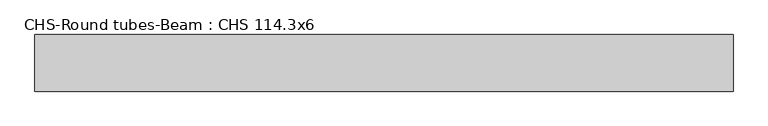
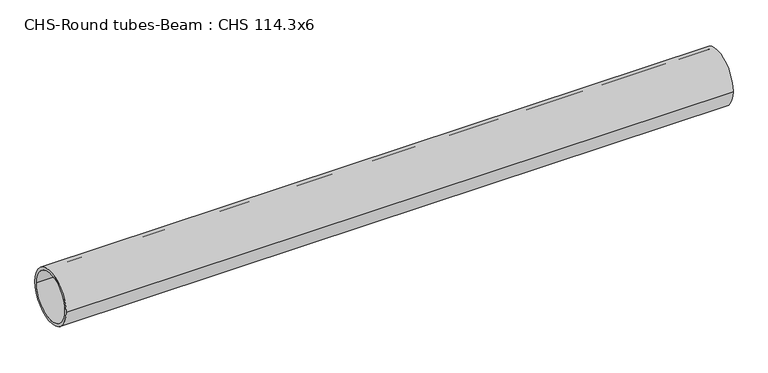
"""IFC4 building model written with IfcOpenShell, lengths in millimetres: beam geometry, CHS-Round tubes-Beam : CHS 114.3x6."""

import ifcopenshell
import ifcopenshell.guid

model = None  # the IFC model being written
_history = None  # IfcOwnerHistory: only IFC2X3 demands one
_inside = {}  # id of a spatial element -> (the spatial element, [elements in it])
_under = {}  # id of a project, library or spatial element -> (it, [spatial elements below it])
_declared = {}  # id of a project -> (the project, [libraries it declares])
_typed = {}  # id of a type object -> (the type object, [elements of that type])
_made_of = {}  # id of a material, layer set ... -> (it, [elements and type objects made of it])


def new_model(schema):
    """Start an empty IFC model of exactly this schema.

    Asked for "IFC4X3", IfcOpenShell would pick the latest addendum, in which some entities
    have other attributes; the version numbers below select the first issue.
    IFC2X3 requires an IfcOwnerHistory on every rooted entity: one is made here for all.
    """
    global model, _history
    if schema == "IFC4X3":
        model = ifcopenshell.file(schema_version=(4, 3, 0, 0))
    else:
        model = ifcopenshell.file(schema=schema)
    _inside.clear()
    _under.clear()
    _declared.clear()
    _typed.clear()
    _made_of.clear()
    _history = None
    if model.schema == "IFC2X3":
        org = make("IfcOrganization", Name="unknown")
        user = make(
            "IfcPersonAndOrganization",
            ThePerson=make("IfcPerson", FamilyName="unknown"),
            TheOrganization=org,
        )
        app = make(
            "IfcApplication",
            ApplicationDeveloper=org,
            Version="unknown",
            ApplicationFullName="unknown",
            ApplicationIdentifier="unknown",
        )
        _history = make(
            "IfcOwnerHistory",
            OwningUser=user,
            OwningApplication=app,
            ChangeAction="ADDED",
            CreationDate=0,
        )
    return model


def make(cls, **values):
    """One entity of the class cls with the attributes given. An attribute that is None is left unset."""
    return model.create_entity(
        cls, **{name: value for name, value in values.items() if value is not None}
    )


def rooted(cls, **values):
    """An entity with a GlobalId (a new one), such as an element, a storey or a relation."""
    return make(cls, GlobalId=ifcopenshell.guid.new(), OwnerHistory=_history, **values)


def si_unit(unit_type, name, prefix=None):
    """IfcSIUnit, for example si_unit("LENGTHUNIT", "METRE", prefix="MILLI")."""
    return make("IfcSIUnit", UnitType=unit_type, Prefix=prefix, Name=name)


def assignment(units):
    """IfcUnitAssignment: the units of a project."""
    return None if units is None else make("IfcUnitAssignment", Units=units)


def point(xyz):
    """IfcCartesianPoint."""
    return None if xyz is None else make("IfcCartesianPoint", Coordinates=xyz)


def direction(xyz):
    """IfcDirection."""
    return None if xyz is None else make("IfcDirection", DirectionRatios=xyz)


def frame(location, z_axis=None, x_axis=None):
    """IfcAxis2Placement3D, a coordinate frame: its origin and axes. An axis left out is left unset."""
    return make(
        "IfcAxis2Placement3D",
        Location=point(location),
        Axis=direction(z_axis),
        RefDirection=direction(x_axis),
    )


def frame_2d(location, x_axis=None):
    """IfcAxis2Placement2D, a coordinate frame in the plane: its origin and x axis."""
    return make(
        "IfcAxis2Placement2D", Location=point(location), RefDirection=direction(x_axis)
    )


def origin():
    """The frame at (0, 0, 0) with its axes left unset."""
    return frame((0.0, 0.0, 0.0))


def origin_2d():
    """The frame at (0, 0) in the plane with its x axis left unset."""
    return frame_2d((0.0, 0.0))


def place(relative_to, where):
    """IfcLocalPlacement: puts the frame where relative to a parent placement (None: the world)."""
    return make(
        "IfcLocalPlacement", PlacementRelTo=relative_to, RelativePlacement=where
    )


def context(
    kind, dimensions, precision=None, world=None, true_north=None, identifier=None
):
    """IfcGeometricRepresentationContext, for example the 3D "Model" context."""
    return make(
        "IfcGeometricRepresentationContext",
        ContextIdentifier=identifier,
        ContextType=kind,
        CoordinateSpaceDimension=dimensions,
        Precision=precision,
        WorldCoordinateSystem=world,
        TrueNorth=true_north,
    )


def project(units=None, contexts=None):
    """IfcProject with its units and contexts."""
    return rooted(
        "IfcProject",
        Name="project",
        RepresentationContexts=contexts,
        UnitsInContext=assignment(units),
    )


def spatial(cls, under=None, at=None, **own):
    """A site, building, storey or space (cls), placed at a placement, below another one or the project."""
    s = rooted(cls, ObjectPlacement=at, **own)
    if under is not None:
        _under.setdefault(under.id(), (under, []))[1].append(s)
    return s


def circle_curve(where, radius):
    """IfcCircle in the frame where."""
    return make("IfcCircle", Position=where, Radius=radius)


def trimmed(basis, trim1, trim2, sense, master):
    """IfcTrimmedCurve: the piece of a basis curve between two trims."""
    return make(
        "IfcTrimmedCurve",
        BasisCurve=basis,
        Trim1=trim1,
        Trim2=trim2,
        SenseAgreement=sense,
        MasterRepresentation=master,
    )


def segment(curve, same_sense, transition):
    """IfcCompositeCurveSegment."""
    return make(
        "IfcCompositeCurveSegment",
        Transition=transition,
        SameSense=same_sense,
        ParentCurve=curve,
    )


def composite_curve(segments, self_intersect=None):
    """IfcCompositeCurve: segments joined end to end."""
    return make("IfcCompositeCurve", Segments=segments, SelfIntersect=self_intersect)


def outline(outer, holes=None, kind="AREA"):
    """IfcArbitraryClosedProfileDef: a profile drawn as a closed curve; with holes, ...WithVoids."""
    if holes is None:
        return make("IfcArbitraryClosedProfileDef", ProfileType=kind, OuterCurve=outer)
    return make(
        "IfcArbitraryProfileDefWithVoids",
        ProfileType=kind,
        OuterCurve=outer,
        InnerCurves=holes,
    )


def extrude(swept, where, along, depth):
    """IfcExtrudedAreaSolid: the profile swept, set in the frame where, extruded along a direction by depth."""
    return make(
        "IfcExtrudedAreaSolid",
        SweptArea=swept,
        Position=where,
        ExtrudedDirection=direction(along),
        Depth=depth,
    )


def shape(context_of_items, identifier, shape_type, items):
    """IfcShapeRepresentation: the items that make up one representation, for example the "Body"."""
    return make(
        "IfcShapeRepresentation",
        ContextOfItems=context_of_items,
        RepresentationIdentifier=identifier,
        RepresentationType=shape_type,
        Items=items,
    )


def source(mapping_origin, context_of_items, identifier, shape_type, items):
    """IfcRepresentationMap: a shape defined once, which mapped items show again and again."""
    return make(
        "IfcRepresentationMap",
        MappingOrigin=mapping_origin,
        MappedRepresentation=shape(context_of_items, identifier, shape_type, items),
    )


def transform(
    local_origin,
    x_axis=None,
    y_axis=None,
    z_axis=None,
    scale=None,
    scale2=None,
    scale3=None,
    uniform=True,
):
    """IfcCartesianTransformationOperator3D, or its non-uniform kind. x_axis, y_axis, z_axis: its Axis1, 2, 3."""
    if uniform:
        return make(
            "IfcCartesianTransformationOperator3D",
            Axis1=direction(x_axis),
            Axis2=direction(y_axis),
            LocalOrigin=point(local_origin),
            Scale=scale,
            Axis3=direction(z_axis),
        )
    return make(
        "IfcCartesianTransformationOperator3DnonUniform",
        Axis1=direction(x_axis),
        Axis2=direction(y_axis),
        LocalOrigin=point(local_origin),
        Scale=scale,
        Axis3=direction(z_axis),
        Scale2=scale2,
        Scale3=scale3,
    )


def mapped(mapping_source, mapping_target):
    """IfcMappedItem: shows the shape of a source again, moved by a transform."""
    return make(
        "IfcMappedItem", MappingSource=mapping_source, MappingTarget=mapping_target
    )


def made_of(thing, what):
    """Note that an element or type object is made of a material, layer set ...; save() writes the relation."""
    if what is not None:
        _made_of.setdefault(what.id(), (what, []))[1].append(thing)
    return thing


def element(
    cls,
    number,
    at=None,
    inside=None,
    cuts=None,
    type_object=None,
    material=None,
    context=None,
    identifier="Body",
    shape_type=None,
    held_by="IfcProductDefinitionShape",
    body=None,
    shapes=None,
    **own,
):
    """One element of the class cls, such as IfcWall. Its Tag is "e" and its number.

    at: its placement. inside: the storey or other place that contains it. cuts: it is an
    opening in that element (IfcRelVoidsElement). A single representation is given by context,
    identifier, shape_type and body (its items); several are given by shapes. held_by: the class
    of the entity that holds the representations. save() writes the other relations.
    """
    e = rooted(cls, Tag="e%d" % number, ObjectPlacement=at, **own)
    if body is not None:
        shapes = [shape(context, identifier, shape_type, body)]
    if shapes is not None:
        e.Representation = make(held_by, Representations=shapes)
    if inside is not None:
        _inside.setdefault(inside.id(), (inside, []))[1].append(e)
    if cuts is not None:
        rooted(
            "IfcRelVoidsElement", RelatingBuildingElement=cuts, RelatedOpeningElement=e
        )
    if type_object is not None:
        _typed.setdefault(type_object.id(), (type_object, []))[1].append(e)
    return made_of(e, material)


def aggregate(whole, parts):
    """IfcRelAggregates: a whole, such as a stair, and the parts it consists of."""
    return rooted("IfcRelAggregates", RelatingObject=whole, RelatedObjects=parts)


def save(model, path):
    """Write the relations noted so far, then the file.

    IfcRelAggregates (storeys below a building ...), IfcRelContainedInSpatialStructure (elements
    in a storey), IfcRelDefinesByType, IfcRelAssociatesMaterial and IfcRelDeclares: one each for
    every whole, place, type object, material and project.
    """
    for whole, parts in _under.values():
        aggregate(whole, parts)
    for where, things in _inside.values():
        rooted(
            "IfcRelContainedInSpatialStructure",
            RelatedElements=things,
            RelatingStructure=where,
        )
    for kind, things in _typed.values():
        rooted("IfcRelDefinesByType", RelatedObjects=things, RelatingType=kind)
    for what, things in _made_of.values():
        rooted("IfcRelAssociatesMaterial", RelatedObjects=things, RelatingMaterial=what)
    for by, libraries in _declared.values():
        rooted("IfcRelDeclares", RelatingContext=by, RelatedDefinitions=libraries)
    model.write(path)


def chs_round_tubes_beam_chs_114_3x6_dfe26a0b(model_context):
    return source(origin(), model_context, "Body", "SweptSolid", [
        extrude(outline(composite_curve([segment(trimmed(circle_curve(origin_2d(), 57.15), [point((57.15, 0.0))], [point((-57.15, 0.0))], False, "CARTESIAN"), True, "CONTINUOUS"), segment(trimmed(circle_curve(origin_2d(), 57.15), [point((-57.15, 0.0))], [point((57.15, 0.0))], False, "CARTESIAN"), True, "CONTINUOUS")], self_intersect=False), holes=[composite_curve([segment(trimmed(circle_curve(origin_2d(), 51.15), [point((51.15, 0.0))], [point((-51.15, 0.0))], True, "CARTESIAN"), True, "CONTINUOUS"), segment(trimmed(circle_curve(origin_2d(), 51.15), [point((-51.15, 0.0))], [point((51.15, 0.0))], True, "CARTESIAN"), True, "CONTINUOUS")], self_intersect=False)]), frame((-773.7385853, 0.0, 0.0), z_axis=(1.0, 0.0, 0.0), x_axis=(0.0, 1.0, 0.0)), (0.0, 0.0, 1.0), 1409.3453463),
    ])


if __name__ == "__main__":
    model = new_model("IFC4")
    model_context = context("Model", 3, world=origin())
    ifc_project = project(units=[si_unit("LENGTHUNIT", "METRE", prefix="MILLI")], contexts=[model_context])
    site = spatial("IfcSite", under=ifc_project)
    building = spatial("IfcBuilding", under=site)
    placement = place(None, origin())
    chs_round_tubes_beam_chs_114_3x6_shape = chs_round_tubes_beam_chs_114_3x6_dfe26a0b(model_context)
    element("IfcBeam", 1, ObjectType="CHS-Round tubes-Beam : CHS 114.3x6", at=placement, inside=building, context=model_context, shape_type="MappedRepresentation", body=[
        mapped(chs_round_tubes_beam_chs_114_3x6_shape, transform((0.0, 0.0, 0.0), x_axis=(1.0, 0.0, 0.0), y_axis=(0.0, 1.0, 0.0), z_axis=(0.0, 0.0, 1.0))),
    ])
    save(model, "model.ifc")
